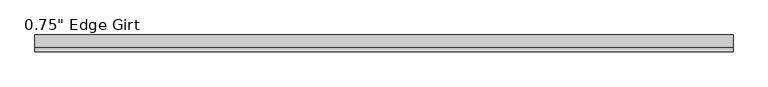
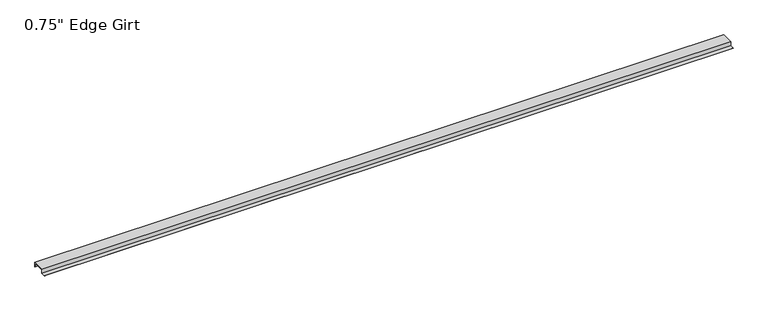
"""IFC4 building model written with IfcOpenShell, lengths in millimetres: proxy geometry."""

from ifc_helpers import new_model, si_unit, frame, origin, place, context, project, spatial, polyline, outline, extrude, source, transform, mapped, element, save


def proxy_457e1656(model_context):
    return source(origin(), model_context, "Body", "SweptSolid", [
        extrude(outline(polyline([(-46.0559645, -17.4375), (-46.0559645, -15.8242), (-27.0129, -15.8242), (-27.0129, 1.6129), (27.0129, 1.6129), (27.0129, -17.4375), (25.4, -17.4375), (25.4, 0.0), (-25.4, 0.0), (-25.4, -17.4375), (-46.0559645, -17.4375)])), frame((0.0, 0.0, 0.0), z_axis=(1.0, 0.0, 0.0), x_axis=(0.0, 1.0, 0.0)), (0.0, 0.0, 1.0), 3047.8714371),
    ])


if __name__ == "__main__":
    model = new_model("IFC4")
    model_context = context("Model", 3, world=origin())
    ifc_project = project(units=[si_unit("LENGTHUNIT", "METRE", prefix="MILLI")], contexts=[model_context])
    site = spatial("IfcSite", under=ifc_project)
    building = spatial("IfcBuilding", under=site)
    placement = place(None, origin())
    proxy_shape = proxy_457e1656(model_context)
    element("IfcBuildingElementProxy", 1, Name="0.75\" Edge Girt", ObjectType="0.75\" Edge Girt", at=placement, inside=building, context=model_context, shape_type="MappedRepresentation", body=[
        mapped(proxy_shape, transform((0.0, 0.0, 0.0), x_axis=(1.0, 0.0, 0.0), y_axis=(0.0, 1.0, 0.0), z_axis=(0.0, 0.0, 1.0))),
    ])
    save(model, "model.ifc")
